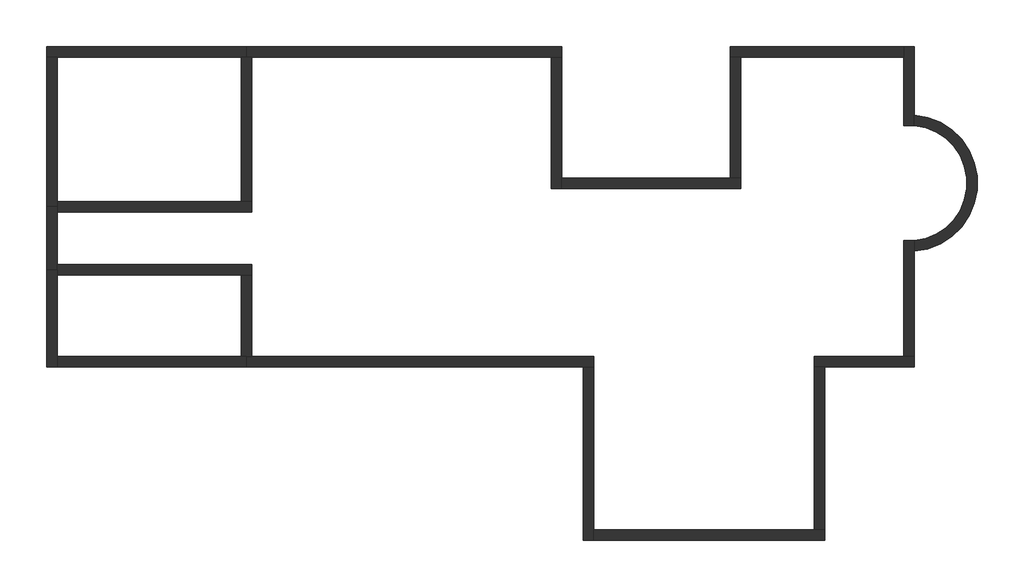
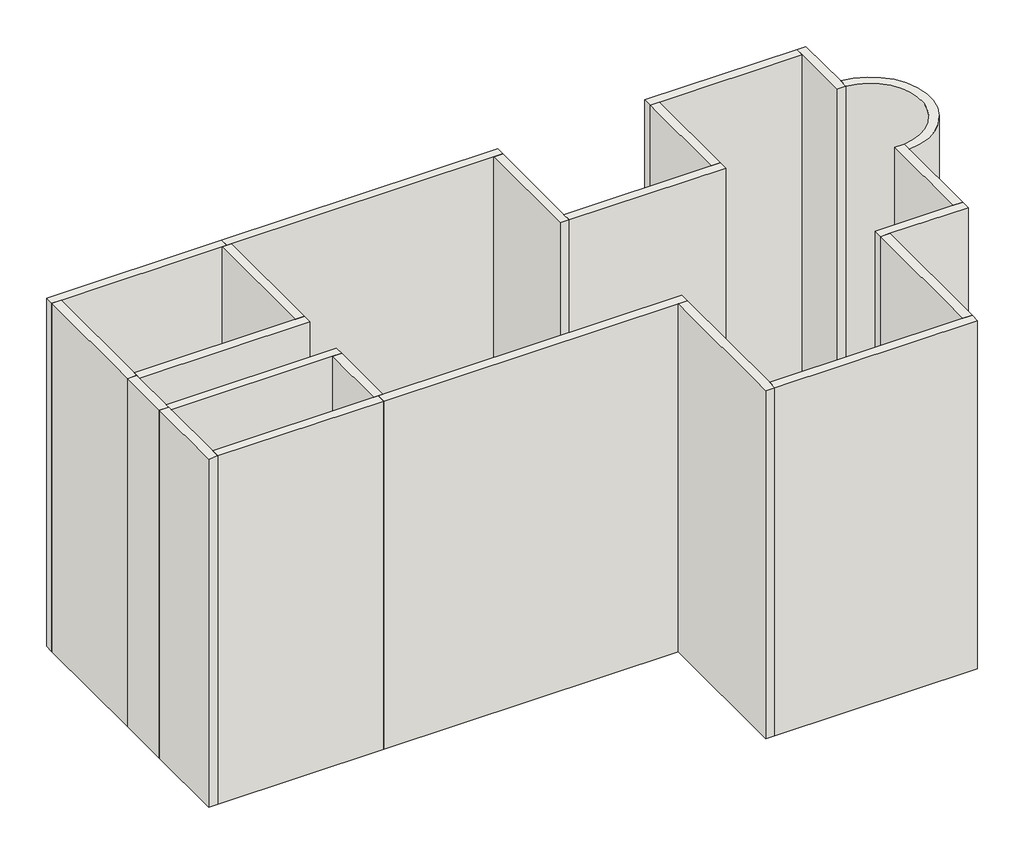
# One storey: 22 walls.
"""IFC4 building model written with IfcOpenShell, lengths in millimetres."""

from ifc_helpers import new_model, si_unit, point, frame, frame_2d, origin, origin_with_axes, place, context, project, spatial, polyline, circle_curve, trimmed, segment, composite_curve, outline, extrude, faceted_brep, element, save
from ifc_brep_helpers import plane_surface, revolved_surface, advanced_brep

model = new_model("IFC4")

# Units and contexts
model_context = context("Model", 3, world=origin())
ifc_project = project(units=[si_unit("LENGTHUNIT", "METRE", prefix="MILLI")], contexts=[model_context])

# Site, building, storey
site = spatial("IfcSite", under=ifc_project)
building = spatial("IfcBuilding", under=site)
storey = spatial("IfcBuildingStorey", under=building, Elevation=0.0)

# Walls
placement = place(None, origin())
element("IfcWall", 1, at=placement, inside=storey, context=model_context, shape_type="Brep", body=[
    faceted_brep([(-8393.8417647, 3972.1057777, 0.0), (-8193.8417647, 3972.1057777, 0.0), (-4693.8417647, 3972.1057777, 0.0), (-4593.8417647, 3972.1057777, 0.0), (-4593.8417647, 3972.1057777, 8000.0), (-4693.8417647, 3972.1057777, 8000.0), (-8193.8417647, 3972.1057777, 8000.0), (-8393.8417647, 3972.1057777, 8000.0), (-8393.8417647, 4172.1057777, 0.0), (-8393.8417647, 4172.1057777, 8000.0), (-4593.8417647, 4172.1057777, 8000.0), (-4593.8417647, 4172.1057777, 0.0)], [[[0, 1, 2, 3, 4, 5, 6, 7]], [[8, 9, 10, 11]], [[3, 2, 1, 0, 8, 11]], [[4, 3, 11, 10]], [[7, 6, 5, 4, 10, 9]], [[0, 7, 9, 8]]]),
])
element("IfcWall", 2, at=placement, inside=storey, context=model_context, shape_type="Brep", body=[
    faceted_brep([(-8193.8417647, -1927.8942223, 0.0), (-8193.8417647, -1727.8942223, 0.0), (-8193.8417647, -177.8942223, 0.0), (-8193.8417647, -77.8942223, 0.0), (-8193.8417647, -77.8942223, 8000.0), (-8193.8417647, -177.8942223, 8000.0), (-8193.8417647, -1727.8942223, 8000.0), (-8193.8417647, -1927.8942223, 8000.0), (-8393.8417647, -1927.8942223, 0.0), (-8393.8417647, -1927.8942223, 8000.0), (-8393.8417647, -77.8942223, 8000.0), (-8393.8417647, -77.8942223, 0.0)], [[[0, 1, 2, 3, 4, 5, 6, 7]], [[8, 9, 10, 11]], [[3, 2, 1, 0, 8, 11]], [[4, 3, 11, 10]], [[7, 6, 5, 4, 10, 9]], [[0, 7, 9, 8]]]),
])
element("IfcWall", 3, at=placement, inside=storey, context=model_context, shape_type="Brep", body=[
    faceted_brep([(8106.1582353, -1727.8942223, 0.0), (7906.1582353, -1727.8942223, 0.0), (6206.1582353, -1727.8942223, 0.0), (6206.1582353, -1727.8942223, 8000.0), (7906.1582353, -1727.8942223, 8000.0), (8106.1582353, -1727.8942223, 8000.0), (8106.1582353, -1927.8942223, 0.0), (8106.1582353, -1927.8942223, 8000.0), (6406.1582353, -1927.8942223, 8000.0), (6206.1582353, -1927.8942223, 8000.0), (6206.1582353, -1927.8942223, 0.0), (6406.1582353, -1927.8942223, 0.0)], [[[0, 1, 2, 3, 4, 5]], [[6, 7, 8, 9, 10, 11]], [[2, 1, 0, 6, 11, 10]], [[5, 4, 3, 9, 8, 7]], [[0, 5, 7, 6]], [[3, 2, 10, 9]]]),
])
element("IfcWall", 4, at=placement, inside=storey, context=model_context, shape_type="AdvancedBrep", body=[
    advanced_brep(
    [(7906.1582353, 4172.1057777, 0.0), (7906.1582353, 3972.1057777, 0.0), (7906.1582353, 2667.5508928, 0.0), (7906.1582353, 2667.5508928, 8000.0), (7906.1582353, 3972.1057777, 8000.0), (7906.1582353, 4172.1057777, 8000.0), (8106.1582353, 4172.1057777, 0.0), (8106.1582353, 4172.1057777, 8000.0), (8106.1582353, 2868.2539174, 8000.0), (8106.1582353, 2667.5508928, 8000.0), (8106.1582353, 2667.5508928, 0.0), (8106.1582353, 2868.2539174, 0.0)],
    [
        (0, 1),
        (1, 2),
        (2, 3),
        (3, 4),
        (4, 5),
        (5, 0),
        (6, 7),
        (7, 8),
        (8, 9),
        (9, 10),
        (10, 11),
        (11, 6),
        (0, 6),
        (10, 2, circle_curve(frame((8006.1582353, 1572.1057777, 0.0), z_axis=(0.0, 0.0, 1.0), x_axis=(1.0, 0.0, 0.0)), 1100.0)),
        (3, 9, circle_curve(frame((8006.1582353, 1572.1057777, 8000.0), z_axis=(0.0, 0.0, -1.0), x_axis=(1.0, 0.0, 0.0)), 1100.0)),
        (7, 5),
    ],
    [
        plane_surface(frame((7906.1582353, 4072.1057777, 0.0), z_axis=(-1.0, 0.0, 0.0), x_axis=(0.0, -1.0, 0.0))),
        plane_surface(frame((8106.1582353, 4072.1057777, 0.0), z_axis=(1.0, 0.0, 0.0), x_axis=(0.0, 1.0, 0.0))),
        plane_surface(frame((7906.1582353, 4072.1057777, 0.0), z_axis=(0.0, 0.0, -1.0), x_axis=(1.0, 0.0, 0.0))),
        plane_surface(frame((7906.1582353, 2772.1057777, 8000.0), z_axis=(0.0, 0.0, 1.0), x_axis=(1.0, 0.0, 0.0))),
        plane_surface(frame((-8293.8417647, 4172.1057777, 0.0), z_axis=(0.0, 1.0, 0.0), x_axis=(-1.0, 0.0, 0.0))),
        revolved_surface(polyline([(9106.158235300001, 1572.1057777, 0.0), (9106.158235300001, 1572.1057777, 8000.0)]), (8006.1582353, 1572.1057777, 0.0), (0.0, 0.0, -1.0)),
    ],
    [
        (0, [[1, 2, 3, 4, 5, 6]]),
        (1, [[7, 8, 9, 10, 11, 12]]),
        (2, [[-2, -1, 13, -12, -11, 14]]),
        (3, [[-5, -4, 15, -9, -8, 16]]),
        (4, [[-6, -16, -7, -13]]),
        (5, [[-3, -14, -10, -15]]),
    ],
),
])
element("IfcWall", 5, at=placement, inside=storey, context=model_context, shape_type="Brep", body=[
    faceted_brep([(-8193.8417647, 1022.1057777, 0.0), (-4493.8417647, 1022.1057777, 0.0), (-4493.8417647, 1022.1057777, 8000.0), (-8193.8417647, 1022.1057777, 8000.0), (-8193.8417647, 1222.1057777, 0.0), (-8193.8417647, 1222.1057777, 8000.0), (-4693.8417647, 1222.1057777, 8000.0), (-4493.8417647, 1222.1057777, 8000.0), (-4493.8417647, 1222.1057777, 0.0), (-4693.8417647, 1222.1057777, 0.0), (-8193.8417647, 1122.1057777, 0.0), (-8193.8417647, 1122.1057777, 8000.0)], [[[0, 1, 2, 3]], [[4, 5, 6, 7, 8, 9]], [[1, 0, 10, 4, 9, 8]], [[3, 2, 7, 6, 5, 11]], [[0, 3, 11, 5, 4, 10]], [[2, 1, 8, 7]]]),
])
element("IfcWall", 6, at=placement, inside=storey, context=model_context, shape_type="Brep", body=[
    faceted_brep([(-4493.8417647, 1222.1057777, 0.0), (-4493.8417647, 3972.1057777, 0.0), (-4493.8417647, 3972.1057777, 8000.0), (-4493.8417647, 1222.1057777, 8000.0), (-4693.8417647, 1222.1057777, 0.0), (-4693.8417647, 1222.1057777, 8000.0), (-4693.8417647, 3972.1057777, 8000.0), (-4693.8417647, 3972.1057777, 0.0), (-4593.8417647, 3972.1057777, 0.0), (-4593.8417647, 3972.1057777, 8000.0)], [[[0, 1, 2, 3]], [[4, 5, 6, 7]], [[1, 0, 4, 7, 8]], [[3, 2, 9, 6, 5]], [[0, 3, 5, 4]], [[2, 1, 8, 7, 6, 9]]]),
])
element("IfcWall", 7, at=placement, inside=storey, context=model_context, shape_type="Brep", body=[
    faceted_brep([(1806.1582353, -1927.8942223, 0.0), (1806.1582353, -5227.8942223, 0.0), (1806.1582353, -5227.8942223, 8000.0), (1806.1582353, -1927.8942223, 8000.0), (2006.1582353, -1927.8942223, 0.0), (2006.1582353, -1927.8942223, 8000.0), (2006.1582353, -5027.8942223, 8000.0), (2006.1582353, -5227.8942223, 8000.0), (2006.1582353, -5227.8942223, 0.0), (2006.1582353, -5027.8942223, 0.0)], [[[0, 1, 2, 3]], [[4, 5, 6, 7, 8, 9]], [[1, 0, 4, 9, 8]], [[3, 2, 7, 6, 5]], [[0, 3, 5, 4]], [[2, 1, 8, 7]]]),
])
element("IfcWall", 8, at=placement, inside=storey, context=model_context, shape_type="Brep", body=[
    faceted_brep([(2006.1582353, -5227.8942223, 0.0), (6406.1582353, -5227.8942223, 0.0), (6406.1582353, -5227.8942223, 8000.0), (2006.1582353, -5227.8942223, 8000.0), (2006.1582353, -5027.8942223, 0.0), (2006.1582353, -5027.8942223, 8000.0), (6206.1582353, -5027.8942223, 8000.0), (6406.1582353, -5027.8942223, 8000.0), (6406.1582353, -5027.8942223, 0.0), (6206.1582353, -5027.8942223, 0.0)], [[[0, 1, 2, 3]], [[4, 5, 6, 7, 8, 9]], [[1, 0, 4, 9, 8]], [[3, 2, 7, 6, 5]], [[0, 3, 5, 4]], [[2, 1, 8, 7]]]),
])
element("IfcWall", 9, at=placement, inside=storey, context=model_context, shape_type="SweptSolid", body=[
    extrude(outline(polyline([(6406.1582353, -1927.8942223), (6406.1582353, -5027.8942223), (6206.1582353, -5027.8942223), (6206.1582353, -1927.8942223), (6406.1582353, -1927.8942223)])), origin_with_axes(), (0.0, 0.0, 1.0), 8000.0),
])
element("IfcWall", 10, at=placement, inside=storey, context=model_context, shape_type="Brep", body=[
    faceted_brep([(1206.1582353, 3972.1057777, 0.0), (1206.1582353, 1472.1057777, 0.0), (1206.1582353, 1472.1057777, 8000.0), (1206.1582353, 3972.1057777, 8000.0), (1406.1582353, 3972.1057777, 0.0), (1406.1582353, 3972.1057777, 8000.0), (1406.1582353, 1672.1057777, 8000.0), (1406.1582353, 1472.1057777, 8000.0), (1406.1582353, 1472.1057777, 0.0), (1406.1582353, 1672.1057777, 0.0)], [[[0, 1, 2, 3]], [[4, 5, 6, 7, 8, 9]], [[1, 0, 4, 9, 8]], [[3, 2, 7, 6, 5]], [[0, 3, 5, 4]], [[2, 1, 8, 7]]]),
])
element("IfcWall", 11, at=placement, inside=storey, context=model_context, shape_type="Brep", body=[
    faceted_brep([(1406.1582353, 1472.1057777, 0.0), (4806.1582353, 1472.1057777, 0.0), (4806.1582353, 1472.1057777, 8000.0), (1406.1582353, 1472.1057777, 8000.0), (1406.1582353, 1672.1057777, 0.0), (1406.1582353, 1672.1057777, 8000.0), (4606.1582353, 1672.1057777, 8000.0), (4806.1582353, 1672.1057777, 8000.0), (4806.1582353, 1672.1057777, 0.0), (4606.1582353, 1672.1057777, 0.0)], [[[0, 1, 2, 3]], [[4, 5, 6, 7, 8, 9]], [[1, 0, 4, 9, 8]], [[3, 2, 7, 6, 5]], [[0, 3, 5, 4]], [[2, 1, 8, 7]]]),
])
element("IfcWall", 12, at=placement, inside=storey, context=model_context, shape_type="SweptSolid", body=[
    extrude(outline(polyline([(4806.1582353, 3972.1057777), (4806.1582353, 1672.1057777), (4606.1582353, 1672.1057777), (4606.1582353, 3972.1057777), (4806.1582353, 3972.1057777)])), origin_with_axes(), (0.0, 0.0, 1.0), 8000.0),
])
element("IfcWall", 13, at=placement, inside=storey, context=model_context, shape_type="SweptSolid", body=[
    extrude(outline(composite_curve([segment(polyline([(8106.1582353, 2667.5508928), (8106.1582353, 2868.2539174)]), True, "CONTINUOUS"), segment(trimmed(circle_curve(frame_2d((8006.1582353, 1572.1057777)), 1300.0), [point((8106.1582353, 2868.2539174))], [point((8106.1582353, 275.9576381))], False, "CARTESIAN"), True, "CONTINUOUS"), segment(polyline([(8106.1582353, 275.9576381), (8106.1582353, 476.6606627)]), True, "CONTINUOUS"), segment(trimmed(circle_curve(frame_2d((8006.1582353, 1572.1057777)), 1100.0), [point((8106.1582353, 476.6606627))], [point((8106.1582353, 2667.5508928))], True, "CARTESIAN"), True, "CONTINUOUS")], self_intersect=False)), origin_with_axes(), (0.0, 0.0, 1.0), 8000.0),
])
element("IfcWall", 14, at=placement, inside=storey, context=model_context, shape_type="Brep", body=[
    faceted_brep([(-4593.8417647, 3972.1057777, 0.0), (-4493.8417647, 3972.1057777, 0.0), (1206.1582353, 3972.1057777, 0.0), (1406.1582353, 3972.1057777, 0.0), (1406.1582353, 3972.1057777, 8000.0), (1206.1582353, 3972.1057777, 8000.0), (-4493.8417647, 3972.1057777, 8000.0), (-4593.8417647, 3972.1057777, 8000.0), (-4593.8417647, 4172.1057777, 0.0), (-4593.8417647, 4172.1057777, 8000.0), (1406.1582353, 4172.1057777, 8000.0), (1406.1582353, 4172.1057777, 0.0)], [[[0, 1, 2, 3, 4, 5, 6, 7]], [[8, 9, 10, 11]], [[3, 2, 1, 0, 8, 11]], [[7, 6, 5, 4, 10, 9]], [[0, 7, 9, 8]], [[4, 3, 11, 10]]]),
])
element("IfcWall", 15, at=placement, inside=storey, context=model_context, shape_type="Brep", body=[
    faceted_brep([(4606.1582353, 3972.1057777, 0.0), (4806.1582353, 3972.1057777, 0.0), (7906.1582353, 3972.1057777, 0.0), (7906.1582353, 3972.1057777, 8000.0), (4806.1582353, 3972.1057777, 8000.0), (4606.1582353, 3972.1057777, 8000.0), (4606.1582353, 4172.1057777, 0.0), (4606.1582353, 4172.1057777, 8000.0), (7906.1582353, 4172.1057777, 8000.0), (7906.1582353, 4172.1057777, 0.0)], [[[0, 1, 2, 3, 4, 5]], [[6, 7, 8, 9]], [[2, 1, 0, 6, 9]], [[5, 4, 3, 8, 7]], [[3, 2, 9, 8]], [[0, 5, 7, 6]]]),
])
element("IfcWall", 16, at=placement, inside=storey, context=model_context, shape_type="AdvancedBrep", body=[
    advanced_brep(
    [(7906.1582353, 476.6606627, 0.0), (7906.1582353, -1727.8942223, 0.0), (7906.1582353, -1727.8942223, 8000.0), (7906.1582353, 476.6606627, 8000.0), (8106.1582353, 476.6606627, 0.0), (8106.1582353, 476.6606627, 8000.0), (8106.1582353, 275.9576381, 8000.0), (8106.1582353, -1727.8942223, 8000.0), (8106.1582353, -1727.8942223, 0.0), (8106.1582353, 275.9576381, 0.0)],
    [
        (0, 1),
        (1, 2),
        (2, 3),
        (3, 0),
        (4, 5),
        (5, 6),
        (6, 7),
        (7, 8),
        (8, 9),
        (9, 4),
        (0, 4, circle_curve(frame((8006.1582353, 1572.1057777, 0.0), z_axis=(0.0, 0.0, 1.0), x_axis=(1.0, 0.0, 0.0)), 1100.0)),
        (8, 1),
        (2, 7),
        (5, 3, circle_curve(frame((8006.1582353, 1572.1057777, 8000.0), z_axis=(0.0, 0.0, -1.0), x_axis=(1.0, 0.0, 0.0)), 1100.0)),
    ],
    [
        plane_surface(frame((7906.1582353, 4072.1057777, 0.0), z_axis=(-1.0, 0.0, 0.0), x_axis=(0.0, -1.0, 0.0))),
        plane_surface(frame((8106.1582353, 4072.1057777, 0.0), z_axis=(1.0, 0.0, 0.0), x_axis=(0.0, 1.0, 0.0))),
        plane_surface(frame((7906.1582353, 372.1057777, 0.0), z_axis=(0.0, 0.0, -1.0), x_axis=(1.0, 0.0, 0.0))),
        plane_surface(frame((7906.1582353, -1827.8942223, 8000.0), z_axis=(0.0, 0.0, 1.0), x_axis=(1.0, 0.0, 0.0))),
        plane_surface(frame((8006.1582353, -1727.8942223, 0.0), z_axis=(0.0, -1.0, 0.0), x_axis=(-1.0, 0.0, 0.0))),
        revolved_surface(polyline([(9106.158235300001, 1572.1057777, 0.0), (9106.158235300001, 1572.1057777, 8000.0)]), (8006.1582353, 1572.1057777, 0.0), (0.0, 0.0, -1.0)),
    ],
    [
        (0, [[1, 2, 3, 4]]),
        (1, [[5, 6, 7, 8, 9, 10]]),
        (2, [[-1, 11, -10, -9, 12]]),
        (3, [[-3, 13, -7, -6, 14]]),
        (4, [[-2, -12, -8, -13]]),
        (5, [[-4, -14, -5, -11]]),
    ],
),
])
element("IfcWall", 17, at=placement, inside=storey, context=model_context, shape_type="Brep", body=[
    faceted_brep([(2006.1582353, -1727.8942223, 0.0), (-4493.8417647, -1727.8942223, 0.0), (-4593.8417647, -1727.8942223, 0.0), (-4593.8417647, -1727.8942223, 8000.0), (-4493.8417647, -1727.8942223, 8000.0), (2006.1582353, -1727.8942223, 8000.0), (2006.1582353, -1927.8942223, 0.0), (2006.1582353, -1927.8942223, 8000.0), (1806.1582353, -1927.8942223, 8000.0), (-4593.8417647, -1927.8942223, 8000.0), (-4593.8417647, -1927.8942223, 0.0), (1806.1582353, -1927.8942223, 0.0)], [[[0, 1, 2, 3, 4, 5]], [[6, 7, 8, 9, 10, 11]], [[2, 1, 0, 6, 11, 10]], [[3, 2, 10, 9]], [[5, 4, 3, 9, 8, 7]], [[0, 5, 7, 6]]]),
])
element("IfcWall", 18, at=placement, inside=storey, context=model_context, shape_type="Brep", body=[
    faceted_brep([(-8193.8417647, 1122.1057777, 0.0), (-8193.8417647, 1222.1057777, 0.0), (-8193.8417647, 3972.1057777, 0.0), (-8193.8417647, 3972.1057777, 8000.0), (-8193.8417647, 1222.1057777, 8000.0), (-8193.8417647, 1122.1057777, 8000.0), (-8393.8417647, 1122.1057777, 0.0), (-8393.8417647, 1122.1057777, 8000.0), (-8393.8417647, 3972.1057777, 8000.0), (-8393.8417647, 3972.1057777, 0.0)], [[[0, 1, 2, 3, 4, 5]], [[6, 7, 8, 9]], [[2, 1, 0, 6, 9]], [[5, 4, 3, 8, 7]], [[0, 5, 7, 6]], [[3, 2, 9, 8]]]),
])
element("IfcWall", 19, at=placement, inside=storey, context=model_context, shape_type="Brep", body=[
    faceted_brep([(-8193.8417647, -177.8942223, 0.0), (-4693.8417647, -177.8942223, 0.0), (-4493.8417647, -177.8942223, 0.0), (-4493.8417647, -177.8942223, 8000.0), (-4693.8417647, -177.8942223, 8000.0), (-8193.8417647, -177.8942223, 8000.0), (-8193.8417647, 22.1057777, 0.0), (-8193.8417647, 22.1057777, 8000.0), (-4493.8417647, 22.1057777, 8000.0), (-4493.8417647, 22.1057777, 0.0), (-8193.8417647, -77.8942223, 0.0), (-8193.8417647, -77.8942223, 8000.0)], [[[0, 1, 2, 3, 4, 5]], [[6, 7, 8, 9]], [[2, 1, 0, 10, 6, 9]], [[5, 4, 3, 8, 7, 11]], [[0, 5, 11, 7, 6, 10]], [[3, 2, 9, 8]]]),
])
element("IfcWall", 20, at=placement, inside=storey, context=model_context, shape_type="Brep", body=[
    faceted_brep([(-4693.8417647, -177.8942223, 0.0), (-4693.8417647, -1727.8942223, 0.0), (-4693.8417647, -1727.8942223, 8000.0), (-4693.8417647, -177.8942223, 8000.0), (-4493.8417647, -177.8942223, 0.0), (-4493.8417647, -177.8942223, 8000.0), (-4493.8417647, -1727.8942223, 8000.0), (-4493.8417647, -1727.8942223, 0.0), (-4593.8417647, -1727.8942223, 0.0), (-4593.8417647, -1727.8942223, 8000.0)], [[[0, 1, 2, 3]], [[4, 5, 6, 7]], [[1, 0, 4, 7, 8]], [[3, 2, 9, 6, 5]], [[0, 3, 5, 4]], [[2, 1, 8, 7, 6, 9]]]),
])
element("IfcWall", 21, at=placement, inside=storey, context=model_context, shape_type="Brep", body=[
    faceted_brep([(-8193.8417647, -77.8942223, 0.0), (-8193.8417647, 22.1057777, 0.0), (-8193.8417647, 1022.1057777, 0.0), (-8193.8417647, 1122.1057777, 0.0), (-8193.8417647, 1122.1057777, 8000.0), (-8193.8417647, 1022.1057777, 8000.0), (-8193.8417647, 22.1057777, 8000.0), (-8193.8417647, -77.8942223, 8000.0), (-8393.8417647, -77.8942223, 0.0), (-8393.8417647, -77.8942223, 8000.0), (-8393.8417647, 1122.1057777, 8000.0), (-8393.8417647, 1122.1057777, 0.0)], [[[0, 1, 2, 3, 4, 5, 6, 7]], [[8, 9, 10, 11]], [[3, 2, 1, 0, 8, 11]], [[4, 3, 11, 10]], [[7, 6, 5, 4, 10, 9]], [[0, 7, 9, 8]]]),
])
element("IfcWall", 22, at=placement, inside=storey, context=model_context, shape_type="Brep", body=[
    faceted_brep([(-4593.8417647, -1727.8942223, 0.0), (-4693.8417647, -1727.8942223, 0.0), (-8193.8417647, -1727.8942223, 0.0), (-8193.8417647, -1727.8942223, 8000.0), (-4693.8417647, -1727.8942223, 8000.0), (-4593.8417647, -1727.8942223, 8000.0), (-4593.8417647, -1927.8942223, 0.0), (-4593.8417647, -1927.8942223, 8000.0), (-8193.8417647, -1927.8942223, 8000.0), (-8193.8417647, -1927.8942223, 0.0)], [[[0, 1, 2, 3, 4, 5]], [[6, 7, 8, 9]], [[2, 1, 0, 6, 9]], [[5, 4, 3, 8, 7]], [[0, 5, 7, 6]], [[3, 2, 9, 8]]]),
])

save(model, "model.ifc")
